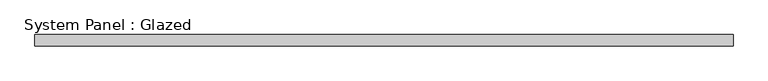
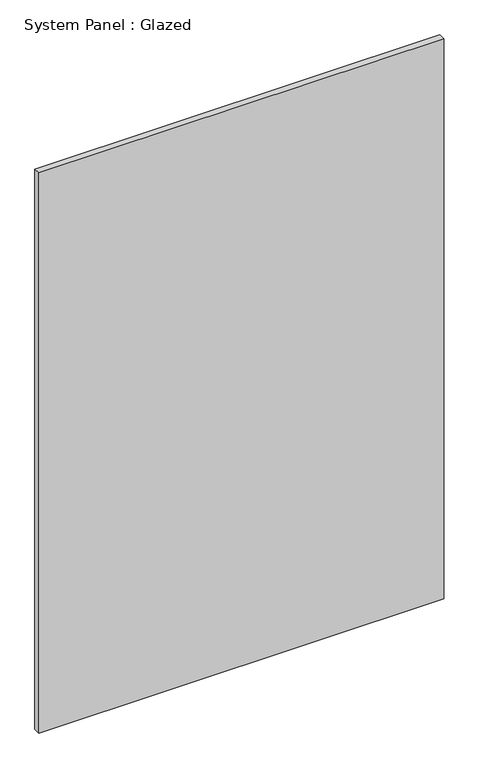
"""IFC4 building model written with IfcOpenShell, lengths in millimetres: plate geometry, System Panel : Glazed."""

from ifc_helpers import new_model, si_unit, origin, origin_with_axes, place, context, project, spatial, polyline, outline, extrude, source, transform, mapped, element, save


def system_panel_glazed_e721e290(model_context):
    return source(origin(), model_context, "Body", "SweptSolid", [
        extrude(outline(polyline([(769.0628487, 24.5), (-769.0628487, 24.5), (-769.0628487, 49.5), (769.0628487, 49.5), (769.0628487, 24.5)])), origin_with_axes(), (0.0, 0.0, 1.0), 2250.0),
    ])


if __name__ == "__main__":
    model = new_model("IFC4")
    model_context = context("Model", 3, world=origin())
    ifc_project = project(units=[si_unit("LENGTHUNIT", "METRE", prefix="MILLI")], contexts=[model_context])
    site = spatial("IfcSite", under=ifc_project)
    building = spatial("IfcBuilding", under=site)
    placement = place(None, origin())
    system_panel_glazed_shape = system_panel_glazed_e721e290(model_context)
    element("IfcPlate", 1, ObjectType="System Panel : Glazed", at=placement, inside=building, context=model_context, shape_type="MappedRepresentation", body=[
        mapped(system_panel_glazed_shape, transform((0.0, 0.0, 0.0), x_axis=(1.0, 0.0, 0.0), y_axis=(0.0, 1.0, 0.0), z_axis=(0.0, 0.0, 1.0))),
    ])
    save(model, "model.ifc")
